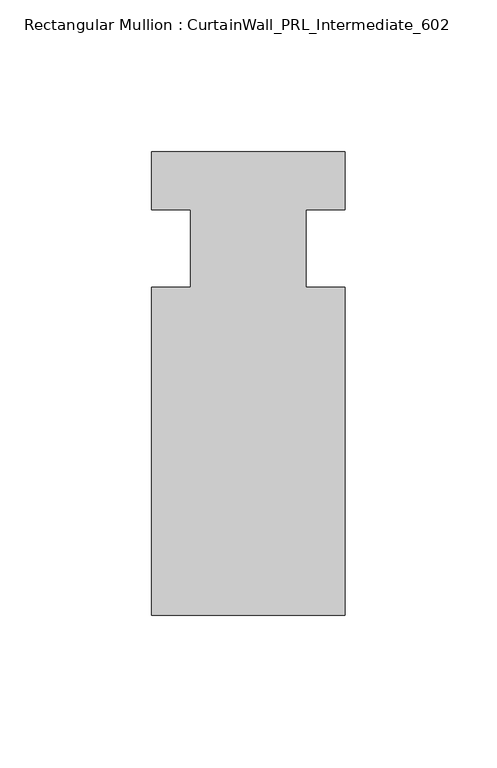
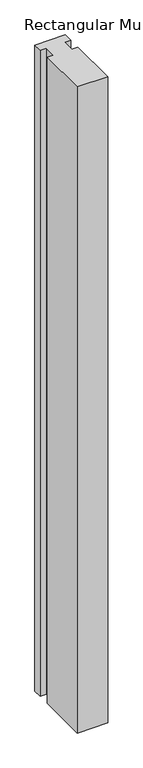
"""IFC4 building model written with IfcOpenShell, lengths in millimetres: member geometry, Rectangular Mullion : CurtainWall_PRL_Intermediate_602."""

from ifc_helpers import new_model, si_unit, frame, origin, place, context, project, spatial, polyline, outline, extrude, source, transform, mapped, element, save


def rectangular_mullion_curtainwall_prl_intermediate_602_d90aaade(model_context):
    return source(origin(), model_context, "Body", "SweptSolid", [
        extrude(outline(polyline([(-19.05, -12.7), (-19.05, 12.7), (-31.75, 12.7), (-31.75, 31.75), (31.75, 31.75), (31.75, 12.7), (19.05, 12.7), (19.05, -12.7), (31.75, -12.7), (31.75, -120.65), (-31.75, -120.65), (-31.75, -12.7), (-19.05, -12.7)])), frame((0.0, 0.0, -1422.4), z_axis=(0.0, 0.0, 1.0), x_axis=(1.0, 0.0, 0.0)), (0.0, 0.0, 1.0), 1422.4),
    ])


if __name__ == "__main__":
    model = new_model("IFC4")
    model_context = context("Model", 3, world=origin())
    ifc_project = project(units=[si_unit("LENGTHUNIT", "METRE", prefix="MILLI")], contexts=[model_context])
    site = spatial("IfcSite", under=ifc_project)
    building = spatial("IfcBuilding", under=site)
    placement = place(None, origin())
    rectangular_mullion_curtainwall_prl_intermediate_602_shape = rectangular_mullion_curtainwall_prl_intermediate_602_d90aaade(model_context)
    element("IfcMember", 1, ObjectType="Rectangular Mullion : CurtainWall_PRL_Intermediate_602", at=placement, inside=building, context=model_context, shape_type="MappedRepresentation", body=[
        mapped(rectangular_mullion_curtainwall_prl_intermediate_602_shape, transform((0.0, 0.0, 0.0), x_axis=(1.0, 0.0, 0.0), y_axis=(0.0, 1.0, 0.0), z_axis=(0.0, 0.0, 1.0))),
    ])
    save(model, "model.ifc")
